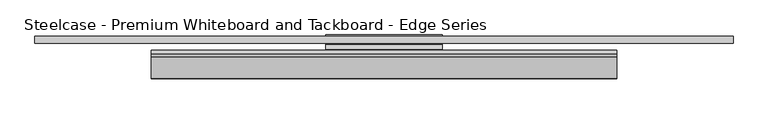
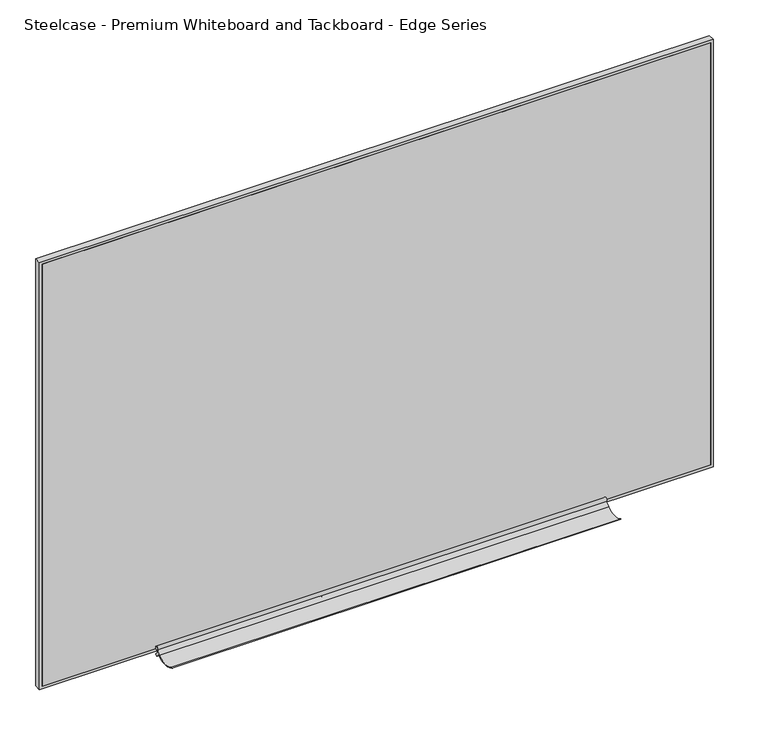
"""IFC4 building model written with IfcOpenShell, lengths in millimetres: furniture geometry, Steelcase - Premium Whiteboard and Tackboard - Edge Series."""

from ifc_helpers import new_model, si_unit, point, frame, frame_2d, origin, place, context, project, spatial, polyline, circle_curve, trimmed, segment, composite_curve, outline, extrude, source, transform, mapped, element, save


def steelcase_premium_whiteboard_and_tackboard_edge_series_d5e77c7b(model_context):
    return source(origin(), model_context, "Body", "SweptSolid", [
        extrude(outline(composite_curve([segment(polyline([(-7.4168438, 857.2284049), (-7.4168438, 813.6420029)]), True, "CONTINUOUS"), segment(trimmed(circle_curve(frame_2d((-14.836828, 813.6420029)), 7.4199842), [point((-7.4168438, 813.6420029))], [point((-16.6620022, 806.45))], False, "CARTESIAN"), True, "CONTINUOUS"), segment(polyline([(-16.6620022, 806.45), (-31.7725189, 812.555045), (-44.5110452, 822.1542131)]), True, "CONTINUOUS"), segment(trimmed(circle_curve(frame_2d((-45.3351267, 821.0606201)), 1.3693269), [point((-44.5110452, 822.1542131))], [point((-46.2808795, 822.0508765))], True, "CARTESIAN"), True, "CONTINUOUS"), segment(polyline([(-46.2808795, 822.0508765), (-49.0916593, 819.3664173), (-49.97097, 819.3664173), (-47.9738031, 821.3635842), (-48.6092673, 821.9990484), (-47.807547, 822.7647382), (-46.1837386, 824.3328753)]), True, "CONTINUOUS"), segment(trimmed(circle_curve(frame_2d((-45.3774126, 823.4979235)), 1.1607353), [point((-46.1837386, 824.3328753))], [point((-44.6627926, 824.4125954))], False, "CARTESIAN"), True, "CONTINUOUS"), segment(polyline([(-44.6627926, 824.4125954), (-31.489527, 814.1205123), (-16.3725826, 808.0128703)]), True, "CONTINUOUS"), segment(trimmed(circle_curve(frame_2d((-15.2311695, 814.176518)), 6.2684429), [point((-16.3725826, 808.0128703))], [point((-8.991675, 813.5747831))], True, "CARTESIAN"), True, "CONTINUOUS"), segment(polyline([(-8.991675, 813.5747831), (-8.991675, 857.2284049), (-7.4168438, 857.2284049)]), True, "CONTINUOUS")], self_intersect=False)), frame((762.0, 0.0, 0.0), z_axis=(1.0, 0.0, 0.0), x_axis=(0.0, 1.0, 0.0)), (0.0, 0.0, 1.0), 304.8),
        extrude(outline(composite_curve([segment(trimmed(circle_curve(frame_2d((-256.5479624, 970.3639001)), 246.0926538), [point((-51.1947824, 834.7480245))], [point((-55.3156079, 828.705389))], False, "CARTESIAN"), True, "CONTINUOUS"), segment(polyline([(-55.3156079, 828.705389), (-47.9738031, 821.3635842), (-53.2087416, 816.1286458), (-61.5812832, 824.5011874)]), True, "CONTINUOUS"), segment(trimmed(circle_curve(frame_2d((-91.6340571, 867.7563236)), 52.6704474), [point((-61.5812832, 824.5011874))], [point((-121.6868311, 824.5011874))], False, "CARTESIAN"), True, "CONTINUOUS"), segment(trimmed(circle_curve(frame_2d((-121.2470422, 825.1341782)), 0.7707733), [point((-121.6868311, 824.5011874))], [point((-121.320647, 825.901429))], False, "CARTESIAN"), True, "CONTINUOUS"), segment(trimmed(circle_curve(frame_2d((-92.7985866, 866.8421682)), 49.8964133), [point((-121.320647, 825.901429))], [point((-64.2765261, 825.901429))], True, "CARTESIAN"), True, "CONTINUOUS"), segment(polyline([(-64.2765261, 825.901429), (-54.6173343, 835.5606208)]), True, "CONTINUOUS"), segment(trimmed(circle_curve(frame_2d((-51.8558693, 839.5775844)), 4.8745959), [point((-54.6173343, 835.5606208))], [point((-51.1947824, 834.7480245))], False, "CARTESIAN"), True, "CONTINUOUS")], self_intersect=False)), frame((304.8, 0.0, 0.0), z_axis=(1.0, 0.0, 0.0), x_axis=(0.0, 1.0, 0.0)), (0.0, 0.0, 1.0), 1219.2),
        extrude(outline(polyline([(1821.688, -28.872657), (7.1247758, -28.872657), (7.1247758, -10.3887554), (1821.688, -10.3887554), (1821.688, -28.872657)])), frame((0.0, 0.0, 819.9247831), z_axis=(0.0, 0.0, 1.0), x_axis=(1.0, 0.0, 0.0)), (0.0, 0.0, 1.0), 1211.3005064),
        extrude(outline(polyline([(2038.35, 1828.8), (2038.35, 0.0), (812.8, 0.0), (812.8, 1828.8), (2038.35, 1828.8)]), holes=[polyline([(2031.2252895, 1821.688), (819.9247831, 1821.688), (819.9247831, 7.1247758), (2031.2252895, 7.1247758), (2031.2252895, 1821.688)])]), frame((0.0, -28.872657, 0.0), z_axis=(0.0, 1.0, 0.0), x_axis=(0.0, 0.0, 1.0)), (0.0, 0.0, 1.0), 18.4839016),
    ])


if __name__ == "__main__":
    model = new_model("IFC4")
    model_context = context("Model", 3, world=origin())
    ifc_project = project(units=[si_unit("LENGTHUNIT", "METRE", prefix="MILLI")], contexts=[model_context])
    site = spatial("IfcSite", under=ifc_project)
    building = spatial("IfcBuilding", under=site)
    placement = place(None, origin())
    steelcase_premium_whiteboard_and_tackboard_edge_series_shape = steelcase_premium_whiteboard_and_tackboard_edge_series_d5e77c7b(model_context)
    element("IfcFurniture", 1, ObjectType="Steelcase - Premium Whiteboard and Tackboard - Edge Series", at=placement, inside=building, context=model_context, shape_type="MappedRepresentation", body=[
        mapped(steelcase_premium_whiteboard_and_tackboard_edge_series_shape, transform((0.0, 0.0, 0.0), x_axis=(1.0, 0.0, 0.0), y_axis=(0.0, 1.0, 0.0), z_axis=(0.0, 0.0, 1.0))),
    ])
    save(model, "model.ifc")
